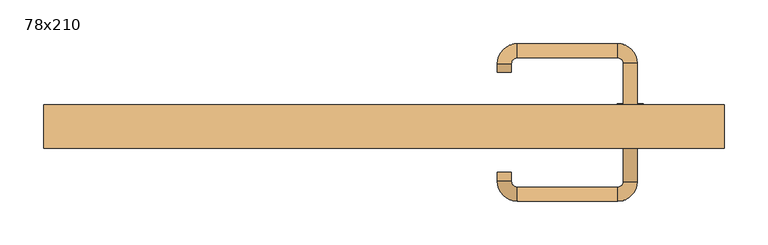
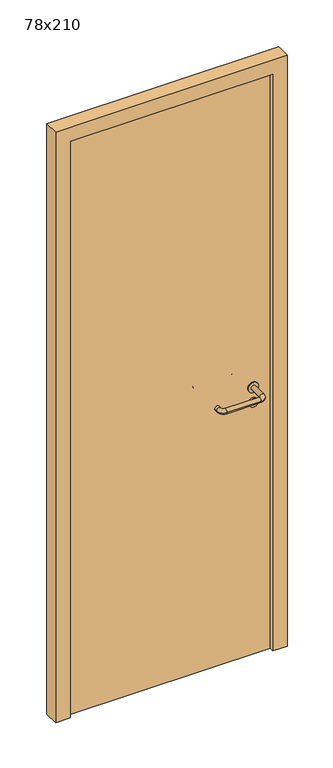
"""IFC4 building model written with IfcOpenShell, lengths in millimetres: door geometry, 78x210."""

from ifc_helpers import new_model, si_unit, point, frame, frame_2d, origin, origin_with_axes, place, context, project, spatial, polyline, circle_curve, ellipse_curve, trimmed, segment, composite_curve, outline, extrude, source, transform, mapped, element, save
from ifc_brep_helpers import plane_surface, cylinder_surface, revolved_surface, advanced_brep


def door_78x210_7117a78d(model_context):
    return source(origin(), model_context, "Body", "SolidModel", [
        extrude(outline(composite_curve([segment(trimmed(circle_curve(frame_2d((897.3605726, 282.0)), 15.0), [point((897.3605726, 297.0))], [point((897.3605726, 267.0))], False, "CARTESIAN"), True, "CONTINUOUS"), segment(trimmed(circle_curve(frame_2d((897.3605726, 282.0)), 15.0), [point((897.3605726, 267.0))], [point((897.3605726, 297.0))], False, "CARTESIAN"), True, "CONTINUOUS")], self_intersect=False), holes=[composite_curve([segment(trimmed(circle_curve(frame_2d((892.5833211, 281.9398032)), 2.0), [point((892.5833211, 283.9398032))], [point((892.5833211, 279.9398032))], True, "CARTESIAN"), True, "CONTINUOUS"), segment(polyline([(892.5833211, 279.9398032), (902.5833211, 279.9398032)]), True, "CONTINUOUS"), segment(trimmed(circle_curve(frame_2d((902.5833211, 281.9398032)), 2.0), [point((902.5833211, 279.9398032))], [point((902.5833211, 283.9398032))], True, "CARTESIAN"), True, "CONTINUOUS"), segment(polyline([(902.5833211, 283.9398032), (892.5833211, 283.9398032)]), True, "CONTINUOUS")], self_intersect=False)]), frame((0.0, 18.65, 0.0), z_axis=(0.0, 1.0, 0.0), x_axis=(0.0, 0.0, 1.0)), (0.0, 0.0, 1.0), 6.35),
        extrude(outline(composite_curve([segment(trimmed(circle_curve(frame_2d((950.0, 282.0)), 17.526), [point((950.0, 299.526))], [point((950.0, 264.474))], False, "CARTESIAN"), True, "CONTINUOUS"), segment(trimmed(circle_curve(frame_2d((950.0, 282.0)), 17.526), [point((950.0, 264.474))], [point((950.0, 299.526))], False, "CARTESIAN"), True, "CONTINUOUS")], self_intersect=False)), frame((0.0, 21.825, 0.0), z_axis=(0.0, 1.0, 0.0), x_axis=(0.0, 0.0, 1.0)), (0.0, 0.0, 1.0), 3.175),
        advanced_brep(
        [(290.0, 25.0, 950.0), (274.0, 25.0, 950.0), (274.0, -28.0, 950.0), (290.0, -28.0, 950.0), (267.8578644, -34.1421356, 950.0), (267.8578644, -50.1421356, 950.0), (152.8578644, -34.1421356, 950.0), (152.8578644, -50.1421356, 950.0), (146.008622, -27.2928932, 950.0), (130.008622, -27.2928932, 950.0), (130.008622, -17.2928932, 950.0), (146.008622, -17.2928932, 950.0)],
        [
            (0, 1, circle_curve(frame((282.0, 25.0, 950.0), z_axis=(0.0, 1.0, 0.0), x_axis=(-1.0, 0.0, 0.0)), 8.0)),
            (1, 0, circle_curve(frame((282.0, 25.0, 950.0), z_axis=(0.0, 1.0, 0.0), x_axis=(-1.0, 0.0, 0.0)), 8.0)),
            (1, 2),
            (2, 3, circle_curve(frame((282.0, -28.0, 950.0), z_axis=(0.0, 1.0, 0.0), x_axis=(-1.0, 0.0, 0.0)), 8.0)),
            (3, 0),
            (3, 2, circle_curve(frame((282.0, -28.0, 950.0), z_axis=(0.0, 1.0, 0.0), x_axis=(-1.0, 0.0, 0.0)), 8.0)),
            (4, 5, circle_curve(frame((267.8578644, -42.1421356, 950.0), z_axis=(1.0, 0.0, 0.0), x_axis=(0.0, 1.0, 0.0)), 8.0)),
            (5, 3, circle_curve(frame((267.8578644, -28.0, 950.0), z_axis=(0.0, 0.0, 1.0), x_axis=(1.0, 0.0, 0.0)), 22.1421356)),
            (2, 4, circle_curve(frame((267.8578644, -28.0, 950.0), z_axis=(0.0, 0.0, -1.0), x_axis=(1.0, 0.0, 0.0)), 6.1421356)),
            (5, 4, circle_curve(frame((267.8578644, -42.1421356, 950.0), z_axis=(1.0, 0.0, 0.0), x_axis=(0.0, 1.0, 0.0)), 8.0)),
            (4, 6),
            (6, 7, circle_curve(frame((152.8578644, -42.1421356, 950.0), z_axis=(1.0, 0.0, 0.0), x_axis=(0.0, 1.0, 0.0)), 8.0)),
            (7, 5),
            (7, 6, circle_curve(frame((152.8578644, -42.1421356, 950.0), z_axis=(1.0, 0.0, 0.0), x_axis=(0.0, 1.0, 0.0)), 8.0)),
            (8, 9, circle_curve(frame((138.008622, -27.2928932, 950.0), z_axis=(0.0, -1.0, 0.0), x_axis=(1.0, 0.0, 0.0)), 8.0)),
            (9, 7, circle_curve(frame((152.8578644, -27.2928932, 950.0), z_axis=(0.0, 0.0, 1.0), x_axis=(0.0, -1.0, 0.0)), 22.8492424)),
            (6, 8, circle_curve(frame((152.8578644, -27.2928932, 950.0), z_axis=(0.0, 0.0, -1.0), x_axis=(0.0, -1.0, 0.0)), 6.8492424)),
            (9, 8, circle_curve(frame((138.008622, -27.2928932, 950.0), z_axis=(0.0, -1.0, 0.0), x_axis=(1.0, 0.0, 0.0)), 8.0)),
            (10, 11, circle_curve(frame((138.008622, -17.2928932, 950.0), z_axis=(0.0, 1.0, 0.0), x_axis=(1.0, 0.0, 0.0)), 8.0)),
            (11, 10, circle_curve(frame((138.008622, -17.2928932, 950.0), z_axis=(0.0, 1.0, 0.0), x_axis=(1.0, 0.0, 0.0)), 8.0)),
            (8, 11),
            (10, 9),
        ],
        [
            plane_surface(frame((282.0, 25.0, 170.0), z_axis=(0.0, 1.0, 0.0), x_axis=(0.0, 0.0, 1.0))),
            cylinder_surface(frame((282.0, 25.0, 950.0), z_axis=(0.0, 1.0, 0.0), x_axis=(-1.0, 0.0, 0.0)), 8.0),
            revolved_surface(trimmed(ellipse_curve(frame((282.0, -28.0, 950.0), z_axis=(0.0, -1.0, 0.0), x_axis=(-1.0, 0.0, 0.0)), 8.0, 8.0), [point((290.0, -28.0, 950.0))], [point((274.0, -28.0, 950.0))], True, "CARTESIAN"), (267.8578644, -28.0, 170.0), (0.0, 0.0, 1.0)),
            revolved_surface(trimmed(ellipse_curve(frame((282.0, -28.0, 950.0), z_axis=(0.0, -1.0, 0.0), x_axis=(-1.0, 0.0, 0.0)), 8.0, 8.0), [point((274.0, -28.0, 950.0))], [point((290.0, -28.0, 950.0))], True, "CARTESIAN"), (267.8578644, -28.0, 170.0), (0.0, 0.0, 1.0)),
            cylinder_surface(frame((267.8578644, -42.1421356, 950.0), z_axis=(1.0, 0.0, 0.0), x_axis=(0.0, 1.0, 0.0)), 8.0),
            revolved_surface(trimmed(ellipse_curve(frame((152.8578644, -42.1421356, 950.0), z_axis=(-1.0, 0.0, 0.0), x_axis=(0.0, 1.0, 0.0)), 8.0, 8.0), [point((152.8578644, -50.1421356, 950.0))], [point((152.8578644, -34.1421356, 950.0))], True, "CARTESIAN"), (152.8578644, -27.2928932, 170.0), (0.0, 0.0, 1.0)),
            revolved_surface(trimmed(ellipse_curve(frame((152.8578644, -42.1421356, 950.0), z_axis=(-1.0, 0.0, 0.0), x_axis=(0.0, 1.0, 0.0)), 8.0, 8.0), [point((152.8578644, -34.1421356, 950.0))], [point((152.8578644, -50.1421356, 950.0))], True, "CARTESIAN"), (152.8578644, -27.2928932, 170.0), (0.0, 0.0, 1.0)),
            plane_surface(frame((138.008622, -17.2928932, 170.0), z_axis=(0.0, 1.0, 0.0), x_axis=(0.0, 0.0, 1.0))),
            cylinder_surface(frame((138.008622, -27.2928932, 950.0), z_axis=(0.0, -1.0, 0.0), x_axis=(1.0, 0.0, 0.0)), 8.0),
        ],
        [
            (0, [[1, 2]]),
            (1, [[3, 4, 5, -2]]),
            (1, [[-5, 6, -3, -1]]),
            (2, [[7, 8, -4, 9]]),
            (3, [[10, -9, -6, -8]]),
            (4, [[11, 12, 13, -7]]),
            (4, [[-13, 14, -11, -10]]),
            (5, [[15, 16, -12, 17]]),
            (6, [[18, -17, -14, -16]]),
            (7, [[19, 20]]),
            (8, [[21, -19, 22, -15]]),
            (8, [[-22, -20, -21, -18]]),
        ],
    ),
        extrude(outline(composite_curve([segment(trimmed(circle_curve(frame_2d((0.0, -15.0)), 15.0), [point((0.0, -30.0))], [point((0.0, 0.0))], False, "CARTESIAN"), True, "CONTINUOUS"), segment(trimmed(circle_curve(frame_2d((0.0, -15.0)), 15.0), [point((0.0, 0.0))], [point((0.0, -30.0))], False, "CARTESIAN"), True, "CONTINUOUS")], self_intersect=False), holes=[composite_curve([segment(trimmed(circle_curve(frame_2d((4.7772515, -14.9398032)), 2.0), [point((4.7772515, -16.9398032))], [point((4.7772515, -12.9398032))], True, "CARTESIAN"), True, "CONTINUOUS"), segment(polyline([(4.7772515, -12.9398032), (-5.2227485, -12.9398032)]), True, "CONTINUOUS"), segment(trimmed(circle_curve(frame_2d((-5.2227485, -14.9398032)), 2.0), [point((-5.2227485, -12.9398032))], [point((-5.2227485, -16.9398032))], True, "CARTESIAN"), True, "CONTINUOUS"), segment(polyline([(-5.2227485, -16.9398032), (4.7772515, -16.9398032)]), True, "CONTINUOUS")], self_intersect=False)]), frame((267.0, 55.0, 897.3605726), z_axis=(1.8870575173328306e-12, 1.0, 0.0), x_axis=(0.0, 0.0, -1.0)), (0.0, 0.0, 1.0), 6.35),
        extrude(outline(composite_curve([segment(trimmed(circle_curve(frame_2d((0.0, -17.526)), 17.526), [point((0.0, -35.052))], [point((0.0, 0.0))], False, "CARTESIAN"), True, "CONTINUOUS"), segment(trimmed(circle_curve(frame_2d((0.0, -17.526)), 17.526), [point((0.0, 0.0))], [point((0.0, -35.052))], False, "CARTESIAN"), True, "CONTINUOUS")], self_intersect=False)), frame((264.474, 55.0, 950.0), z_axis=(1.8870575173328306e-12, 1.0, 0.0), x_axis=(0.0, 0.0, -1.0)), (0.0, 0.0, 1.0), 3.175),
        advanced_brep(
        [(290.0, 55.0, 950.0), (274.0, 55.0, 950.0), (290.0, 108.0, 950.0), (274.0, 108.0, 950.0), (267.8578644, 114.1421356, 950.0), (267.8578644, 130.1421356, 950.0), (152.8578644, 130.1421356, 950.0), (152.8578644, 114.1421356, 950.0), (146.008622, 107.2928932, 950.0), (130.008622, 107.2928932, 950.0), (130.008622, 97.2928932, 950.0), (146.008622, 97.2928932, 950.0)],
        [
            (0, 1, circle_curve(frame((282.0, 55.0, 950.0), z_axis=(-1.888672253512351e-12, -1.0, 0.0), x_axis=(-1.0, 1.888672253512351e-12, 0.0)), 8.0)),
            (1, 0, circle_curve(frame((282.0, 55.0, 950.0), z_axis=(-1.888672253512351e-12, -1.0, 0.0), x_axis=(-1.0, 1.888672253512351e-12, 0.0)), 8.0)),
            (0, 2),
            (2, 3, circle_curve(frame((282.0, 108.0, 950.0), z_axis=(-1.888672253512351e-12, -1.0, 0.0), x_axis=(-1.0, 1.888672253512351e-12, 0.0)), 8.0)),
            (3, 1),
            (3, 2, circle_curve(frame((282.0, 108.0, 950.0), z_axis=(-1.888672253512351e-12, -1.0, 0.0), x_axis=(-1.0, 1.888672253512351e-12, 0.0)), 8.0)),
            (4, 3, circle_curve(frame((267.8578644, 108.0, 950.0), z_axis=(0.0, 0.0, -1.0), x_axis=(1.0, -1.880717803715015e-12, 0.0)), 6.1421356)),
            (2, 5, circle_curve(frame((267.8578644, 108.0, 950.0), z_axis=(0.0, 0.0, 1.0), x_axis=(1.0, -1.880717803715015e-12, 0.0)), 22.1421356)),
            (5, 4, circle_curve(frame((267.8578644, 122.1421356, 950.0), z_axis=(1.0, -1.913702061528922e-12, 0.0), x_axis=(-1.913702061528922e-12, -1.0, 0.0)), 8.0)),
            (4, 5, circle_curve(frame((267.8578644, 122.1421356, 950.0), z_axis=(1.0, -1.913702061528922e-12, 0.0), x_axis=(-1.913702061528922e-12, -1.0, 0.0)), 8.0)),
            (5, 6),
            (6, 7, circle_curve(frame((152.8578644, 122.1421356, 950.0), z_axis=(1.0, -1.913719828541269e-12, 0.0), x_axis=(-1.913719828541269e-12, -1.0, 0.0)), 8.0)),
            (7, 4),
            (7, 6, circle_curve(frame((152.8578644, 122.1421356, 950.0), z_axis=(1.0, -1.913719828541269e-12, 0.0), x_axis=(-1.913719828541269e-12, -1.0, 0.0)), 8.0)),
            (8, 7, circle_curve(frame((152.8578644, 107.2928932, 950.0), z_axis=(0.0, 0.0, -1.0), x_axis=(1.9120873253494017e-12, 1.0, 0.0)), 6.8492424)),
            (6, 9, circle_curve(frame((152.8578644, 107.2928932, 950.0), z_axis=(0.0, 0.0, 1.0), x_axis=(1.9120873253494017e-12, 1.0, 0.0)), 22.8492424)),
            (9, 8, circle_curve(frame((138.008622, 107.2928932, 950.0), z_axis=(1.890670654956676e-12, 1.0, 0.0), x_axis=(1.0, -1.890670654956676e-12, 0.0)), 8.0)),
            (8, 9, circle_curve(frame((138.008622, 107.2928932, 950.0), z_axis=(1.890226565746826e-12, 1.0, 0.0), x_axis=(1.0, -1.890226565746826e-12, 0.0)), 8.0)),
            (10, 11, circle_curve(frame((138.008622, 97.2928932, 950.0), z_axis=(-1.8903642334018795e-12, -1.0, 0.0), x_axis=(1.0, -1.8903642334018795e-12, 0.0)), 8.0)),
            (11, 10, circle_curve(frame((138.008622, 97.2928932, 950.0), z_axis=(-1.8903642334018795e-12, -1.0, 0.0), x_axis=(1.0, -1.8903642334018795e-12, 0.0)), 8.0)),
            (9, 10),
            (11, 8),
        ],
        [
            plane_surface(frame((282.0, 55.0, 170.0), z_axis=(-1.8870575173328306e-12, -1.0, 0.0), x_axis=(0.0, 0.0, 1.0))),
            cylinder_surface(frame((282.0, 55.0, 950.0), z_axis=(-1.888672253512351e-12, -1.0, 0.0), x_axis=(-1.0, 1.888672253512351e-12, 0.0)), 8.0),
            revolved_surface(trimmed(ellipse_curve(frame((282.0, 108.0, 950.0), z_axis=(-1.8823325398945356e-12, -1.0, 0.0), x_axis=(-1.0, 1.8823325398945356e-12, 0.0)), 8.0, 8.0), [point((290.0, 108.0, 950.0))], [point((274.0, 108.0, 950.0))], True, "CARTESIAN"), (267.8578644, 108.0, 170.0), (0.0, 0.0, 1.0)),
            revolved_surface(trimmed(ellipse_curve(frame((282.0, 108.0, 950.0), z_axis=(-1.8823325398945356e-12, -1.0, 0.0), x_axis=(-1.0, 1.8823325398945356e-12, 0.0)), 8.0, 8.0), [point((274.0, 108.0, 950.0))], [point((290.0, 108.0, 950.0))], True, "CARTESIAN"), (267.8578644, 108.0, 170.0), (0.0, 0.0, 1.0)),
            cylinder_surface(frame((267.8578644, 122.1421356, 950.0), z_axis=(1.0, -1.913719828541269e-12, 0.0), x_axis=(-1.913719828541269e-12, -1.0, 0.0)), 8.0),
            revolved_surface(trimmed(ellipse_curve(frame((152.8578644, 122.1421356, 950.0), z_axis=(1.0, -1.913702061528922e-12, 0.0), x_axis=(-1.913702061528922e-12, -1.0, 0.0)), 8.0, 8.0), [point((152.8578644, 130.1421356, 950.0))], [point((152.8578644, 114.1421356, 950.0))], True, "CARTESIAN"), (152.8578644, 107.2928932, 170.0), (0.0, 0.0, 1.0)),
            revolved_surface(trimmed(ellipse_curve(frame((152.8578644, 122.1421356, 950.0), z_axis=(1.0, -1.913702061528922e-12, 0.0), x_axis=(-1.913702061528922e-12, -1.0, 0.0)), 8.0, 8.0), [point((152.8578644, 114.1421356, 950.0))], [point((152.8578644, 130.1421356, 950.0))], True, "CARTESIAN"), (152.8578644, 107.2928932, 170.0), (0.0, 0.0, 1.0)),
            plane_surface(frame((138.008622, 97.2928932, 170.0), z_axis=(-1.8887494972223595e-12, -1.0, 0.0), x_axis=(0.0, 0.0, 1.0))),
            cylinder_surface(frame((138.008622, 107.2928932, 950.0), z_axis=(1.8903642334018795e-12, 1.0, 0.0), x_axis=(1.0, -1.8903642334018795e-12, 0.0)), 8.0),
        ],
        [
            (0, [[1, 2]]),
            (1, [[-1, 3, 4, 5]]),
            (1, [[-2, -5, 6, -3]]),
            (2, [[7, -4, 8, 9]]),
            (3, [[-8, -6, -7, 10]]),
            (4, [[-9, 11, 12, 13]]),
            (4, [[-10, -13, 14, -11]]),
            (5, [[15, -12, 16, 17]]),
            (6, [[-16, -14, -15, 18]]),
            (7, [[19, 20]]),
            (8, [[-17, 21, -20, 22]]),
            (8, [[-18, -22, -19, -21]]),
        ],
    ),
        extrude(outline(polyline([(2050.0, 340.0), (0.0, 340.0), (0.0, 390.0), (2100.0, 390.0), (2100.0, -390.0), (0.0, -390.0), (0.0, -340.0), (2050.0, -340.0), (2050.0, 340.0)])), frame((0.0, 10.0, 0.0), z_axis=(0.0, 1.0, 0.0), x_axis=(0.0, 0.0, 1.0)), (0.0, 0.0, 1.0), 50.0),
        extrude(outline(polyline([(-340.0, 55.0), (340.0, 55.0), (340.0, 25.0), (-340.0, 25.0), (-340.0, 55.0)])), origin_with_axes(), (0.0, 0.0, 1.0), 2050.0),
    ])


if __name__ == "__main__":
    model = new_model("IFC4")
    model_context = context("Model", 3, world=origin())
    ifc_project = project(units=[si_unit("LENGTHUNIT", "METRE", prefix="MILLI")], contexts=[model_context])
    site = spatial("IfcSite", under=ifc_project)
    building = spatial("IfcBuilding", under=site)
    placement = place(None, origin())
    door_78x210_shape = door_78x210_7117a78d(model_context)
    element("IfcDoor", 1, ObjectType="78x210", at=placement, inside=building, context=model_context, shape_type="MappedRepresentation", body=[
        mapped(door_78x210_shape, transform((0.0, 0.0, 0.0), x_axis=(1.0, 0.0, 0.0), y_axis=(0.0, 1.0, 0.0), z_axis=(0.0, 0.0, 1.0))),
    ])
    save(model, "model.ifc")
